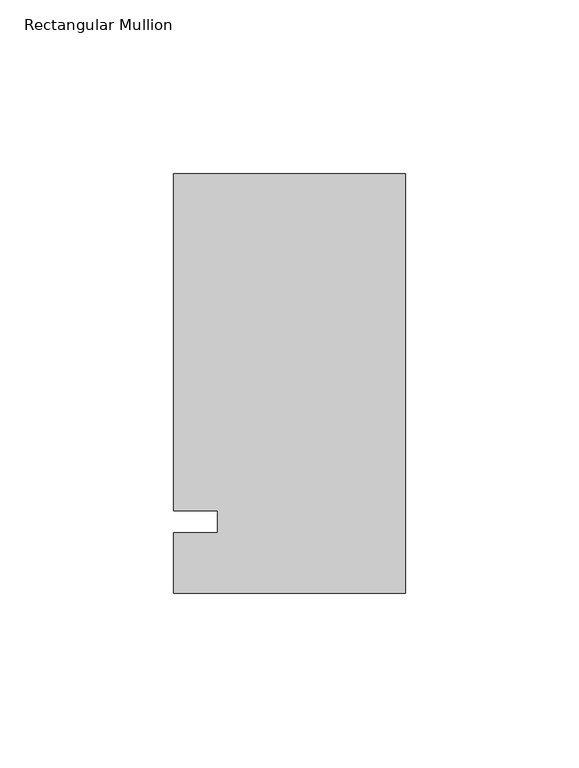
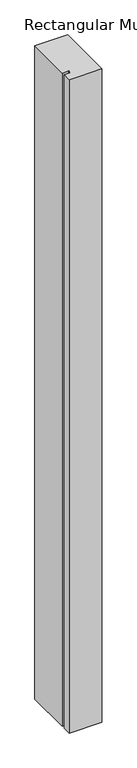
"""IFC4 building model written with IfcOpenShell, lengths in millimetres: member geometry, Rectangular Mullion."""

from ifc_helpers import new_model, si_unit, frame, origin, place, context, project, spatial, polyline, outline, extrude, source, transform, mapped, element, save


def rectangular_mullion_01bba558(model_context):
    return source(origin(), model_context, "Body", "SweptSolid", [
        extrude(outline(polyline([(-66.675, 100.0125), (0.0, 100.0125), (0.0, -20.6375), (-66.675, -20.6375), (-66.675, -3.175), (-53.9732296, -3.175), (-53.9732296, 3.175), (-66.675, 3.175), (-66.675, 100.0125)])), frame((0.0, 0.0, -1407.482264), z_axis=(0.0, 0.0, 1.0), x_axis=(1.0, 0.0, 0.0)), (0.0, 0.0, 1.0), 1407.482264),
    ])


if __name__ == "__main__":
    model = new_model("IFC4")
    model_context = context("Model", 3, world=origin())
    ifc_project = project(units=[si_unit("LENGTHUNIT", "METRE", prefix="MILLI")], contexts=[model_context])
    site = spatial("IfcSite", under=ifc_project)
    building = spatial("IfcBuilding", under=site)
    placement = place(None, origin())
    rectangular_mullion_shape = rectangular_mullion_01bba558(model_context)
    element("IfcMember", 1, ObjectType="Rectangular Mullion", at=placement, inside=building, context=model_context, shape_type="MappedRepresentation", body=[
        mapped(rectangular_mullion_shape, transform((0.0, 0.0, 0.0), x_axis=(1.0, 0.0, 0.0), y_axis=(0.0, 1.0, 0.0), z_axis=(0.0, 0.0, 1.0))),
    ])
    save(model, "model.ifc")
